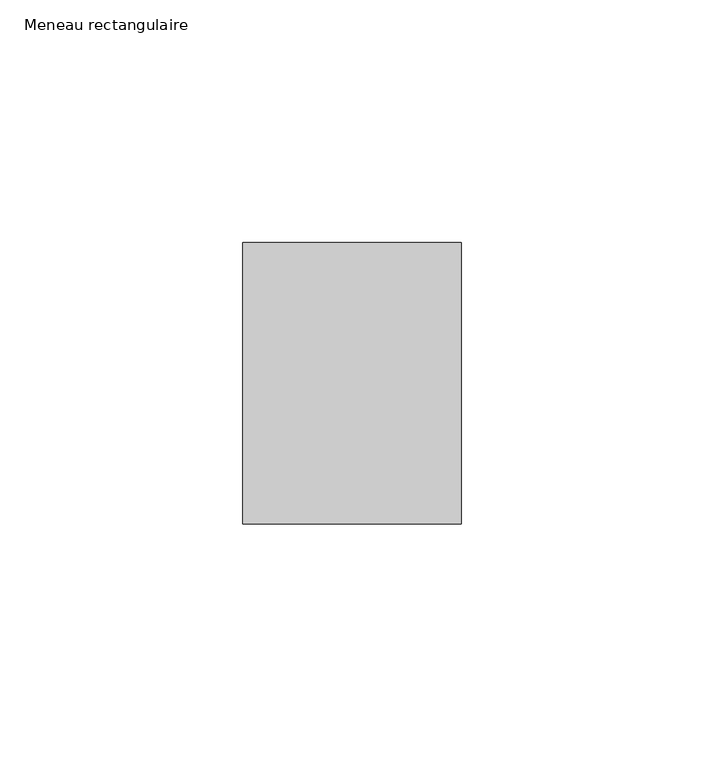
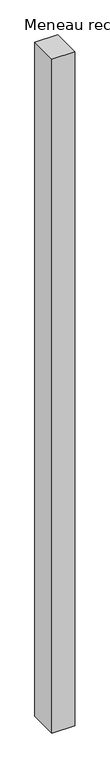
"""IFC4 building model written with IfcOpenShell, lengths in millimetres: member geometry, Meneau rectangulaire."""

from ifc_helpers import new_model, si_unit, frame, origin, place, context, project, spatial, polyline, outline, extrude, source, transform, mapped, element, save


def meneau_rectangulaire_458e6b75(model_context):
    return source(origin(), model_context, "Body", "SweptSolid", [
        extrude(outline(polyline([(-45.0, 29.0), (0.0, 29.0), (0.0, -29.0), (-45.0, -29.0), (-45.0, 29.0)])), frame((0.0, 0.0, -1400.2500002), z_axis=(0.0, 0.0, 1.0), x_axis=(1.0, 0.0, 0.0)), (0.0, 0.0, 1.0), 1400.2500002),
    ])


if __name__ == "__main__":
    model = new_model("IFC4")
    model_context = context("Model", 3, world=origin())
    ifc_project = project(units=[si_unit("LENGTHUNIT", "METRE", prefix="MILLI")], contexts=[model_context])
    site = spatial("IfcSite", under=ifc_project)
    building = spatial("IfcBuilding", under=site)
    placement = place(None, origin())
    meneau_rectangulaire_shape = meneau_rectangulaire_458e6b75(model_context)
    element("IfcMember", 1, ObjectType="Meneau rectangulaire", at=placement, inside=building, context=model_context, shape_type="MappedRepresentation", body=[
        mapped(meneau_rectangulaire_shape, transform((0.0, 0.0, 0.0), x_axis=(1.0, 0.0, 0.0), y_axis=(0.0, 1.0, 0.0), z_axis=(0.0, 0.0, 1.0))),
    ])
    save(model, "model.ifc")
